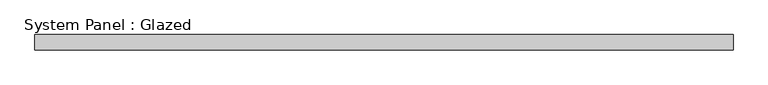
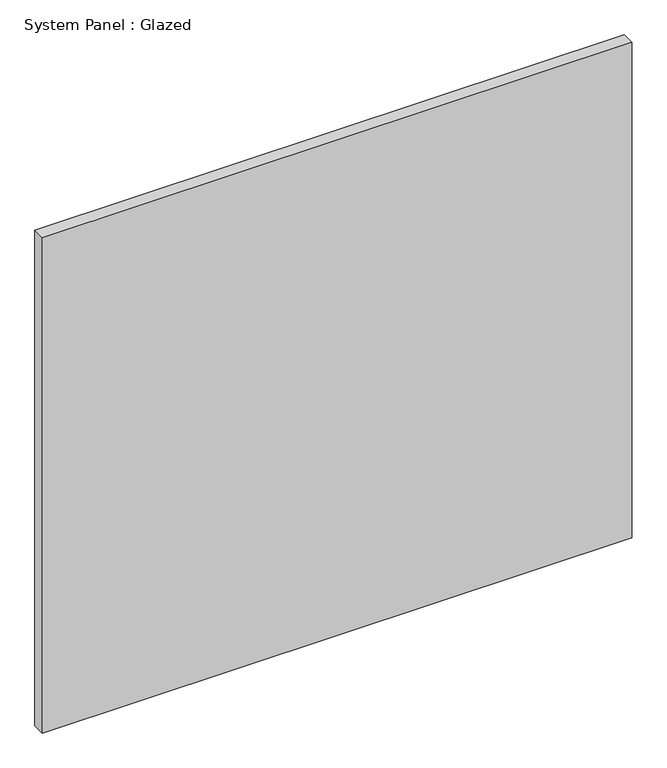
"""IFC4 building model written with IfcOpenShell, lengths in millimetres: plate geometry, System Panel : Glazed."""

from ifc_helpers import new_model, si_unit, origin, origin_with_axes, place, context, project, spatial, polyline, outline, extrude, source, transform, mapped, element, save


def system_panel_glazed_1cebaa83(model_context):
    return source(origin(), model_context, "Body", "SweptSolid", [
        extrude(outline(polyline([(571.5, -12.7), (-571.5, -12.7), (-571.5, 12.7), (571.5, 12.7), (571.5, -12.7)])), origin_with_axes(), (0.0, 0.0, 1.0), 1016.0),
    ])


if __name__ == "__main__":
    model = new_model("IFC4")
    model_context = context("Model", 3, world=origin())
    ifc_project = project(units=[si_unit("LENGTHUNIT", "METRE", prefix="MILLI")], contexts=[model_context])
    site = spatial("IfcSite", under=ifc_project)
    building = spatial("IfcBuilding", under=site)
    placement = place(None, origin())
    system_panel_glazed_shape = system_panel_glazed_1cebaa83(model_context)
    element("IfcPlate", 1, ObjectType="System Panel : Glazed", at=placement, inside=building, context=model_context, shape_type="MappedRepresentation", body=[
        mapped(system_panel_glazed_shape, transform((0.0, 0.0, 0.0), x_axis=(1.0, 0.0, 0.0), y_axis=(0.0, 1.0, 0.0), z_axis=(0.0, 0.0, 1.0))),
    ])
    save(model, "model.ifc")
